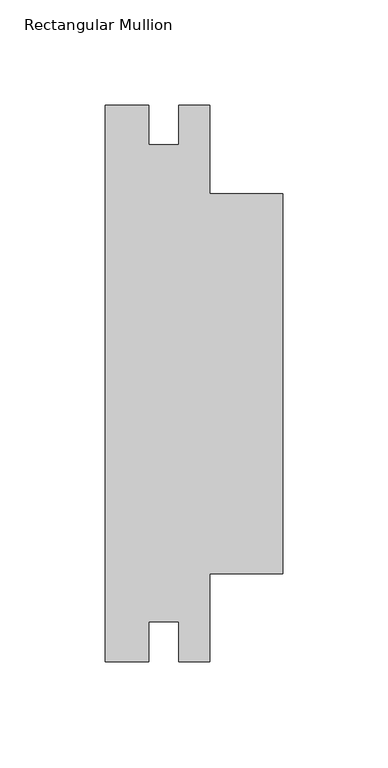
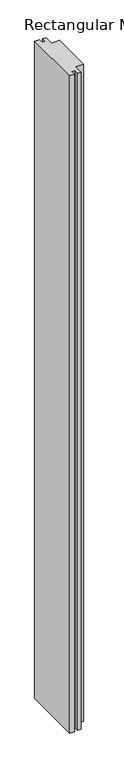
"""IFC4 building model written with IfcOpenShell, lengths in millimetres: member geometry, Rectangular Mullion."""

from ifc_helpers import new_model, si_unit, frame, origin, place, context, project, spatial, polyline, outline, extrude, source, transform, mapped, element, save


def rectangular_mullion_727ee1bb(model_context):
    return source(origin(), model_context, "Body", "SweptSolid", [
        extrude(outline(polyline([(-84.709, 132.57149), (-63.8339989, 132.57149), (-63.8339989, 113.5468913), (-49.5173, 113.5468913), (-49.5173, 132.5714913), (-34.925, 132.5714913), (-34.925, 90.3753256), (0.0, 90.3753256), (0.0, -90.5996744), (-34.925, -90.5996744), (-34.925, -132.5714913), (-49.5173, -132.5714913), (-49.5173, -113.5468913), (-63.8339989, -113.5468913), (-63.8339989, -132.57149), (-84.709, -132.57149), (-84.709, 132.57149)])), frame((0.0, 0.0, -3048.0), z_axis=(0.0, 0.0, 1.0), x_axis=(1.0, 0.0, 0.0)), (0.0, 0.0, 1.0), 3048.0),
    ])


if __name__ == "__main__":
    model = new_model("IFC4")
    model_context = context("Model", 3, world=origin())
    ifc_project = project(units=[si_unit("LENGTHUNIT", "METRE", prefix="MILLI")], contexts=[model_context])
    site = spatial("IfcSite", under=ifc_project)
    building = spatial("IfcBuilding", under=site)
    placement = place(None, origin())
    rectangular_mullion_shape = rectangular_mullion_727ee1bb(model_context)
    element("IfcMember", 1, ObjectType="Rectangular Mullion", at=placement, inside=building, context=model_context, shape_type="MappedRepresentation", body=[
        mapped(rectangular_mullion_shape, transform((0.0, 0.0, 0.0), x_axis=(1.0, 0.0, 0.0), y_axis=(0.0, 1.0, 0.0), z_axis=(0.0, 0.0, 1.0))),
    ])
    save(model, "model.ifc")
